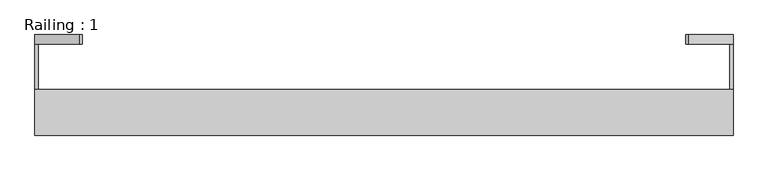
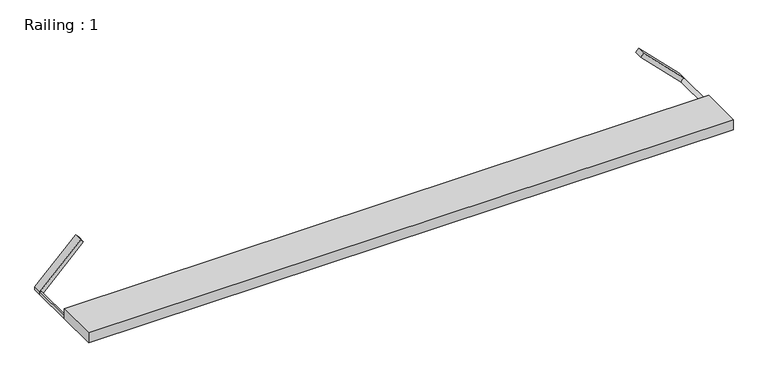
"""IFC4 building model written with IfcOpenShell, lengths in millimetres: proxy geometry, Railing : 1."""

from ifc_helpers import new_model, si_unit, point, frame, frame_2d, origin, origin_with_axes, place, context, project, spatial, polyline, circle_curve, trimmed, segment, composite_curve, outline, extrude, source, transform, mapped, element, save


def railing_1_02251b4b(model_context):
    return source(origin(), model_context, "Body", "SweptSolid", [
        extrude(outline(polyline([(763.5223146, -148.3559767), (763.5223146, -248.3559767), (-763.5223146, -248.3559767), (-763.5223146, -148.3559767), (763.5223146, -148.3559767)])), origin_with_axes(), (0.0, 0.0, 1.0), 25.0),
        extrude(outline(composite_curve([segment(polyline([(0.0, 763.5223146), (7.0710678, 763.5223146)]), True, "CONTINUOUS"), segment(trimmed(circle_curve(frame_2d((0.0, 763.5223146)), 7.0710678), [point((7.0710678, 763.5223146))], [point((0.0, 756.4512468))], False, "CARTESIAN"), True, "CONTINUOUS"), segment(polyline([(0.0, 756.4512468), (0.0, 763.5223146)]), True, "CONTINUOUS")], self_intersect=False)), frame((0.0, -148.3559767, 0.0), z_axis=(0.0, 1.0, 0.0), x_axis=(0.0, 0.0, 1.0)), (0.0, 0.0, 1.0), 100.0),
        extrude(outline(composite_curve([segment(polyline([(0.0, -763.5223146), (0.0, -756.4512468)]), True, "CONTINUOUS"), segment(trimmed(circle_curve(frame_2d((0.0, -763.5223146)), 7.0710678), [point((0.0, -756.4512468))], [point((7.0710678, -763.5223146))], False, "CARTESIAN"), True, "CONTINUOUS"), segment(polyline([(7.0710678, -763.5223146), (0.0, -763.5223146)]), True, "CONTINUOUS")], self_intersect=False)), frame((0.0, -148.3559767, 0.0), z_axis=(0.0, 1.0, 0.0), x_axis=(0.0, 0.0, 1.0)), (0.0, 0.0, 1.0), 100.0),
        extrude(outline(polyline([(103.5355339, 667.0578485), (96.4644661, 659.9867807), (0.0, 756.4512468), (0.0, 763.5223146), (7.0710678, 763.5223146), (103.5355339, 667.0578485)])), frame((0.0, -48.3559767, 0.0), z_axis=(0.0, 1.0, 0.0), x_axis=(0.0, 0.0, 1.0)), (0.0, 0.0, 1.0), 20.0),
        extrude(outline(polyline([(0.0, -763.5223146), (0.0, -756.4512468), (96.4644661, -659.9867807), (103.5355339, -667.0578485), (7.0710678, -763.5223146), (0.0, -763.5223146)])), frame((0.0, -48.3559767, 0.0), z_axis=(0.0, 1.0, 0.0), x_axis=(0.0, 0.0, 1.0)), (0.0, 0.0, 1.0), 20.0),
    ])


if __name__ == "__main__":
    model = new_model("IFC4")
    model_context = context("Model", 3, world=origin())
    ifc_project = project(units=[si_unit("LENGTHUNIT", "METRE", prefix="MILLI")], contexts=[model_context])
    site = spatial("IfcSite", under=ifc_project)
    building = spatial("IfcBuilding", under=site)
    placement = place(None, origin())
    railing_1_shape = railing_1_02251b4b(model_context)
    element("IfcBuildingElementProxy", 1, Name="Railing : 1", ObjectType="Railing : 1", at=placement, inside=building, context=model_context, shape_type="MappedRepresentation", body=[
        mapped(railing_1_shape, transform((0.0, 0.0, 0.0), x_axis=(1.0, 0.0, 0.0), y_axis=(0.0, 1.0, 0.0), z_axis=(0.0, 0.0, 1.0))),
    ])
    save(model, "model.ifc")
